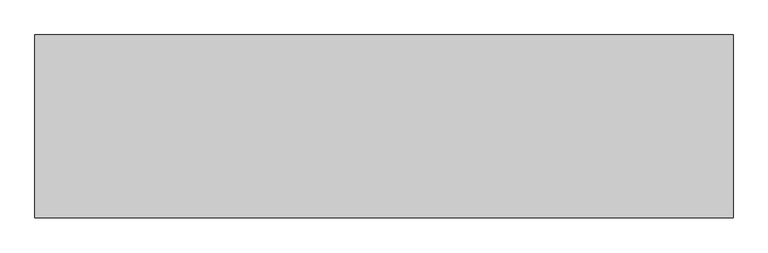
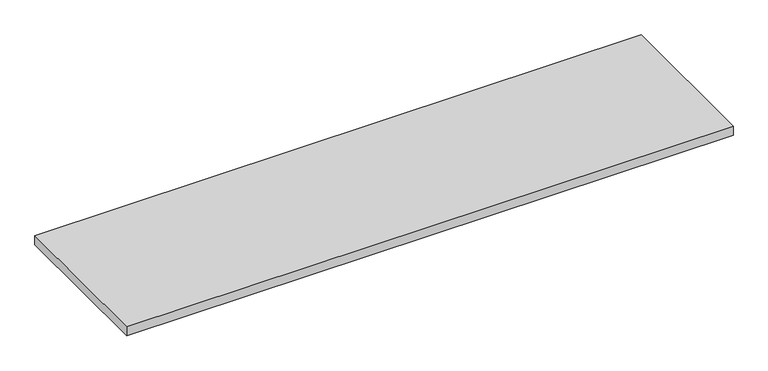
"""IFC4 building model written with IfcOpenShell, lengths in millimetres: furniture geometry."""

from ifc_helpers import new_model, si_unit, frame, origin, place, context, project, spatial, polyline, outline, extrude, source, transform, mapped, element, save


def furniture_63dc0a39(model_context):
    return source(origin(), model_context, "Body", "SweptSolid", [
        extrude(outline(polyline([(0.0, 0.0), (1828.8, 0.0), (1828.8, -479.552), (0.0, -479.552), (0.0, 0.0)])), frame((0.0, 0.0, 693.7375), z_axis=(0.0, 0.0, 1.0), x_axis=(1.0, 0.0, 0.0)), (0.0, 0.0, 1.0), 28.575),
    ])


if __name__ == "__main__":
    model = new_model("IFC4")
    model_context = context("Model", 3, world=origin())
    ifc_project = project(units=[si_unit("LENGTHUNIT", "METRE", prefix="MILLI")], contexts=[model_context])
    site = spatial("IfcSite", under=ifc_project)
    building = spatial("IfcBuilding", under=site)
    placement = place(None, origin())
    furniture_shape = furniture_63dc0a39(model_context)
    element("IfcFurniture", 1, at=placement, inside=building, context=model_context, shape_type="MappedRepresentation", body=[
        mapped(furniture_shape, transform((0.0, 0.0, 0.0), x_axis=(1.0, 0.0, 0.0), y_axis=(0.0, 1.0, 0.0), z_axis=(0.0, 0.0, 1.0))),
    ])
    save(model, "model.ifc")
